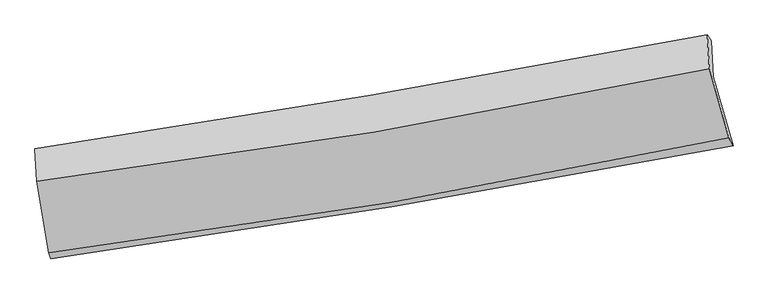
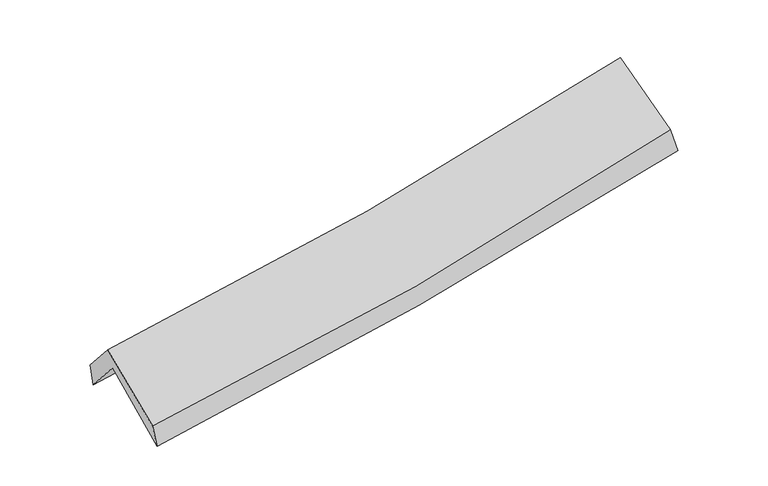
"""IFC4 building model written with IfcOpenShell, lengths in millimetres: proxy geometry."""

from ifc_helpers import new_model, si_unit, frame, origin, place, context, project, spatial, source, transform, mapped, element, save
from ifc_brep_helpers import plane_surface, spline_curve, spline_surface, advanced_brep


def generic_models_b9a590ff(model_context):
    return source(origin(), model_context, "Body", "AdvancedBrep", [
        advanced_brep(
        [(-2401.5771049, -2499.4165475, 1483.0742486), (-2487.8766943, -1984.5341968, 1919.2579519), (2427.1195723, -1174.4526284, 2377.6242325), (2573.1439312, -1676.5670379, 1944.0103106), (-2503.134065, -1719.9718631, 1606.7552126), (2413.1932339, -912.8727646, 2059.0029995), (-2515.2060538, -1698.9253632, 1782.2258024), (2384.5324364, -869.3744614, 2236.8504569), (-2501.5897076, -1934.2050712, 2059.259458), (2400.1667318, -1115.3071728, 2514.1485272), (-2415.863496, -2456.789778, 1650.947743), (2542.651822, -1618.5693011, 2113.4785906)],
        [
            (0, 1),
            (1, 2, spline_curve(3, [(-2487.8766943, -1984.5341968, 1919.2579519), (-1665.495066274, -1874.338932732, 1961.337416707), (-846.510727076, -1752.085284603, 2020.331200416), (791.881763782, -1482.272486445, 2172.81923399), (1611.22951326, -1334.498944926, 2266.614210458), (2427.1195723, -1174.4526284, 2377.6242325)], [4, 2, 4], [0.0, 8.222057302655307, 16.51688428550802])),
            (2, 3),
            (3, 0, spline_curve(3, [(2573.1439312, -1676.5670379, 1944.0103106), (1746.995747555, -1835.918471055, 1842.592302612), (917.520517014, -1984.419492712, 1753.356163495), (-740.777948258, -2258.513118771, 1599.923612443), (-1569.543062795, -2384.295266646, 1535.514397701), (-2401.5771049, -2499.4165475, 1483.0742486)], [4, 2, 4], [0.0, 8.294826982852713, 16.51688428550802])),
            (1, 4),
            (4, 5, spline_curve(3, [(-2503.134065, -1719.9718631, 1606.7552126), (-1682.195005733, -1602.303145604, 1651.467484449), (-863.825184121, -1476.542661646, 1711.278079796), (774.996261506, -1207.653495919, 1861.758902892), (1595.402206508, -1064.380946854, 1952.697569614), (2413.1932339, -912.8727646, 2059.0029995)], [4, 2, 4], [0.0, 8.172615609506071, 16.417563313327275])),
            (5, 2),
            (4, 6),
            (6, 7, spline_curve(3, [(-2515.2060538, -1698.9253632, 1782.2258024), (-1697.637017363, -1576.433656627, 1833.803899039), (-882.329877682, -1446.396519895, 1897.258862247), (750.956500805, -1170.013706141, 2048.589249831), (1568.895524595, -1023.533875355, 2136.675838045), (2384.5324364, -869.3744614, 2236.8504569)], [4, 2, 4], [0.0, 8.161829464027562, 16.395895559114756])),
            (7, 5),
            (6, 8),
            (8, 9, spline_curve(3, [(-2501.5897076, -1934.2050712, 2059.259458), (-1681.098229756, -1832.069356304, 2113.669625016), (-864.156747702, -1713.135002533, 2178.56870294), (769.825182068, -1440.46770664, 2330.011905978), (1586.802513191, -1286.436094088, 2416.742517679), (2400.1667318, -1115.3071728, 2514.1485272)], [4, 2, 4], [0.0, 8.152181673891851, 16.37651459065192])),
            (9, 7),
            (8, 10),
            (10, 11, spline_curve(3, [(-2415.863496, -2456.789778, 1650.947743), (-1583.781580634, -2353.203442648, 1697.781160217), (-756.331026456, -2231.944525553, 1759.506388547), (896.589755548, -1952.851907896, 1913.418569733), (1721.977641032, -1794.703999563, 2005.87029072), (2542.651822, -1618.5693011, 2113.4785906)], [4, 2, 4], [0.0, 8.202425866389147, 16.4774476640846])),
            (11, 9),
            (10, 0),
            (3, 11),
        ],
        [
            spline_surface(3, 3, [[(-2401.5771049, -2499.4165475, 1483.0742486), (-1569.543062839, -2384.295266711, 1535.514397593), (-740.777948125, -2258.513118655, 1599.9236125), (917.520516879, -1984.419492829, 1753.356163437), (1746.995747524, -1835.918471017, 1842.592302553), (2573.1439312, -1676.5670379, 1944.0103106)], [(-2430.343634686, -2327.789097241, 1628.468816368), (-1601.527063993, -2214.309822034, 1677.455403971), (-776.02220772, -2089.703840694, 1740.059475168), (875.640932503, -1817.037157353, 1893.177186933), (1701.740336079, -1668.778628966, 1983.932938499), (2524.469144883, -1509.195568063, 2088.548284586)], [(-2459.110164514, -2156.161647059, 1773.863384132), (-1633.511065188, -2044.324377434, 1819.396410344), (-811.266467383, -1920.89456267, 1880.195337824), (833.761348059, -1649.654821814, 2032.998210418), (1656.484924684, -1501.638786928, 2125.273574386), (2475.794358617, -1341.824098237, 2233.086258514)], [(-2487.8766943, -1984.5341968, 1919.2579519), (-1665.495066342, -1874.338932758, 1961.337416722), (-846.510726978, -1752.085284709, 2020.331200491), (791.881763683, -1482.272486339, 2172.819233914), (1611.22951324, -1334.498944877, 2266.614210332), (2427.1195723, -1174.4526284, 2377.6242325)]], [4, 4], [4, 2, 4], [0.0, 2.1862134338645673], [0.0, 8.222057302655307, 16.51688428550802]),
            spline_surface(3, 3, [[(-2487.8766943, -1984.5341968, 1919.2579519), (-1665.495066342, -1874.338932758, 1961.337416722), (-846.510726978, -1752.085284709, 2020.331200491), (791.881763683, -1482.272486339, 2172.819233914), (1611.22951324, -1334.498944877, 2266.614210332), (2427.1195723, -1174.4526284, 2377.6242325)], [(-2492.962484545, -1896.346752242, 1815.090372142), (-1671.061712786, -1783.660337073, 1858.047439298), (-852.282212745, -1660.237743721, 1917.313493629), (786.253262987, -1390.732822832, 2069.132456862), (1605.953744355, -1244.459612208, 2161.97533008), (2422.477459524, -1087.259340445, 2271.41715483)], [(-2498.048274755, -1808.159307658, 1710.922792358), (-1676.628359194, -1692.981741361, 1754.757461846), (-858.053698476, -1568.390202733, 1814.295786778), (780.624762325, -1299.193159326, 1965.445679822), (1600.677975398, -1154.420279603, 2057.336449839), (2417.835346676, -1000.066052555, 2165.21007717)], [(-2503.134065, -1719.9718631, 1606.7552126), (-1682.195005639, -1602.303145676, 1651.467484421), (-863.825184243, -1476.542661745, 1711.278079916), (774.996261628, -1207.653495819, 1861.75890277), (1595.402206513, -1064.380946934, 1952.697569587), (2413.1932339, -912.8727646, 2059.0029995)]], [4, 4], [4, 2, 4], [0.0, 1.3610549560485792], [0.0, 8.172615609506071, 16.417563313327275]),
            spline_surface(3, 3, [[(-2503.134065, -1719.9718631, 1606.7552126), (-1682.195005639, -1602.303145676, 1651.467484421), (-863.825184243, -1476.542661745, 1711.278079916), (774.996261628, -1207.653495819, 1861.75890277), (1595.402206513, -1064.380946934, 1952.697569587), (2413.1932339, -912.8727646, 2059.0029995)], [(-2507.158061272, -1712.956363129, 1665.245409174), (-1687.342342898, -1593.679982643, 1712.246289226), (-869.993415412, -1466.493947796, 1773.271673992), (766.983008037, -1195.106899219, 1924.035685133), (1586.56664586, -1050.765256448, 2014.023659088), (2403.639634711, -898.373330223, 2118.2854853)], [(-2511.182057528, -1705.940863171, 1723.735605826), (-1692.489680142, -1585.056819622, 1773.025094109), (-876.161646571, -1456.445233906, 1835.265268106), (758.969754456, -1182.560302679, 1986.312467534), (1577.731085272, -1037.149565894, 2075.349748588), (2394.086035589, -883.873895777, 2177.5679711)], [(-2515.2060538, -1698.9253632, 1782.2258024), (-1697.637017401, -1576.433656589, 1833.803898914), (-882.329877741, -1446.396519956, 1897.258862182), (750.956500864, -1170.013706079, 2048.589249897), (1568.895524619, -1023.533875408, 2136.675838089), (2384.5324364, -869.3744614, 2236.8504569)]], [4, 4], [4, 2, 4], [0.0, 0.625539034408503], [0.0, 8.161829464027562, 16.395895559114756]),
            spline_surface(3, 3, [[(-2515.2060538, -1698.9253632, 1782.2258024), (-1697.637017401, -1576.433656589, 1833.803898914), (-882.329877741, -1446.396519956, 1897.258862182), (750.956500864, -1170.013706079, 2048.589249897), (1568.895524619, -1023.533875408, 2136.675838089), (2384.5324364, -869.3744614, 2236.8504569)], [(-2510.667271727, -1777.351932557, 1874.570354264), (-1692.124088213, -1661.645556533, 1927.09247426), (-876.27216775, -1535.309347533, 1991.028809122), (757.24606132, -1260.16503959, 2142.39680193), (1574.864520851, -1111.167948324, 2230.031397938), (2389.743868214, -951.352031871, 2329.283146994)], [(-2506.128489673, -1855.778501843, 1966.914906136), (-1686.611159043, -1746.857456406, 2020.381049614), (-870.214457807, -1624.222175047, 2084.798756022), (763.535621727, -1350.316373038, 2236.204353922), (1580.833517043, -1198.802021228, 2323.386957804), (2394.955299986, -1033.329602329, 2421.715837106)], [(-2501.5897076, -1934.2050712, 2059.259458), (-1681.098229855, -1832.06935635, 2113.669624961), (-864.156747816, -1713.135002623, 2178.568702962), (769.825182182, -1440.467706549, 2330.011905955), (1586.802513276, -1286.436094144, 2416.742517653), (2400.1667318, -1115.3071728, 2514.1485272)]], [4, 4], [4, 2, 4], [0.0, 1.2776871867754307], [0.0, 8.152181673891851, 16.37651459065192]),
            spline_surface(3, 3, [[(-2501.5897076, -1934.2050712, 2059.259458), (-1681.098229855, -1832.06935635, 2113.669624961), (-864.156747816, -1713.135002623, 2178.568702962), (769.825182182, -1440.467706549, 2330.011905955), (1586.802513276, -1286.436094144, 2416.742517653), (2400.1667318, -1115.3071728, 2514.1485272)], [(-2473.014303717, -2108.399973465, 1923.155553019), (-1648.65934673, -2005.780718432, 1975.040136706), (-828.214840744, -1886.071510214, 2038.881264793), (812.080039997, -1611.262440366, 2191.147460595), (1631.8608892, -1455.858729279, 2279.785108687), (2447.661761852, -1283.061215546, 2380.591881657)], [(-2444.438899883, -2282.594875735, 1787.051647981), (-1616.220463652, -2179.49208052, 1836.410648395), (-792.272933638, -2059.008017832, 1899.1938266), (854.334897845, -1782.05717421, 2052.283015211), (1676.91926517, -1625.281364478, 2142.827699749), (2495.156791948, -1450.815258354, 2247.035236143)], [(-2415.863496, -2456.789778, 1650.947743), (-1583.781580527, -2353.203442602, 1697.78116014), (-756.331026566, -2231.944525423, 1759.50638843), (896.589755659, -1952.851908028, 1913.418569851), (1721.977641094, -1794.703999613, 2005.870290783), (2542.651822, -1618.5693011, 2113.4785906)]], [4, 4], [4, 2, 4], [0.0, 2.21100224412155], [0.0, 8.202425866389147, 16.4774476640846]),
            spline_surface(3, 3, [[(-2415.863496, -2456.789778, 1650.947743), (-1583.781580527, -2353.203442602, 1697.78116014), (-756.331026566, -2231.944525423, 1759.50638843), (896.589755659, -1952.851908028, 1913.418569851), (1721.977641094, -1794.703999613, 2005.870290783), (2542.651822, -1618.5693011, 2113.4785906)], [(-2411.101365652, -2470.998701166, 1594.989911532), (-1579.035407983, -2363.567383971, 1643.69223929), (-751.146667098, -2240.800723154, 1706.312129777), (903.566676054, -1963.374436282, 1860.06443437), (1730.31700992, -1808.442156767, 1951.444294705), (2552.815858416, -1637.901880053, 2056.989163932)], [(-2406.339235248, -2485.207624334, 1539.032080068), (-1574.289235383, -2373.931325342, 1589.603318443), (-745.962307593, -2249.656920924, 1653.117871153), (910.543596485, -1973.896964574, 1806.710298918), (1738.656378698, -1822.180313863, 1897.018298631), (2562.979894784, -1657.234458947, 2000.499737268)], [(-2401.5771049, -2499.4165475, 1483.0742486), (-1569.543062839, -2384.295266711, 1535.514397593), (-740.777948125, -2258.513118655, 1599.9236125), (917.520516879, -1984.419492829, 1753.356163437), (1746.995747524, -1835.918471017, 1842.592302553), (2573.1439312, -1676.5670379, 1944.0103106)]], [4, 4], [4, 2, 4], [0.0, 0.5363333909803836], [0.0, 8.261353031131325, 16.595823531035236]),
            plane_surface(frame((2456.8012879, -1227.8572277, 2207.5191862), z_axis=(0.9759051495854212, 0.18762575512876345, 0.11138094552039943), x_axis=(0.21625638642690853, -0.7638248265814597, -0.6081157863658686))),
            plane_surface(frame((-2470.8745203, -2048.9738033, 1750.2534027), z_axis=(-0.9912428476822411, -0.12062770315930658, -0.053726847565364985), x_axis=(-0.08220533243311681, 0.24527872338749615, 0.965960988432225))),
        ],
        [
            (0, [[1, 2, 3, 4]]),
            (1, [[5, 6, 7, -2]]),
            (2, [[8, 9, 10, -6]]),
            (3, [[11, 12, 13, -9]]),
            (4, [[14, 15, 16, -12]]),
            (5, [[17, -4, 18, -15]]),
            (6, [[-16, -18, -3, -7, -10, -13]]),
            (7, [[-17, -14, -11, -8, -5, -1]]),
        ],
    ),
    ])


if __name__ == "__main__":
    model = new_model("IFC4")
    model_context = context("Model", 3, world=origin())
    ifc_project = project(units=[si_unit("LENGTHUNIT", "METRE", prefix="MILLI")], contexts=[model_context])
    site = spatial("IfcSite", under=ifc_project)
    building = spatial("IfcBuilding", under=site)
    placement = place(None, origin())
    generic_models_shape = generic_models_b9a590ff(model_context)
    element("IfcBuildingElementProxy", 1, Name="Generic Models", at=placement, inside=building, context=model_context, shape_type="MappedRepresentation", body=[
        mapped(generic_models_shape, transform((0.0, 0.0, 0.0), x_axis=(1.0, 0.0, 0.0), y_axis=(0.0, 1.0, 0.0), z_axis=(0.0, 0.0, 1.0))),
    ])
    save(model, "model.ifc")
